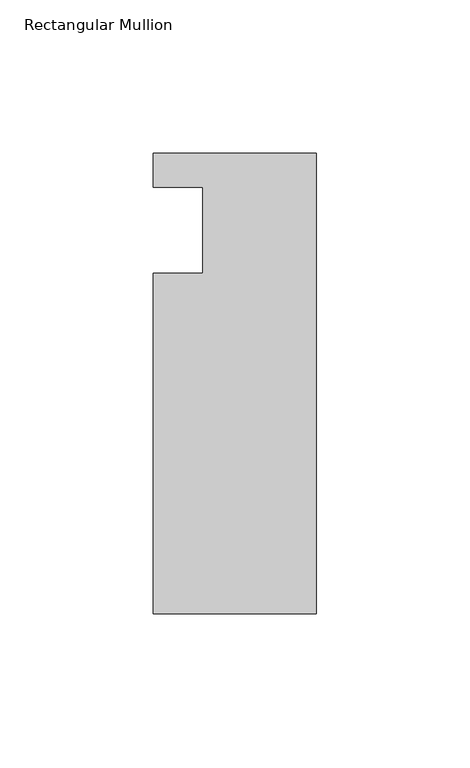
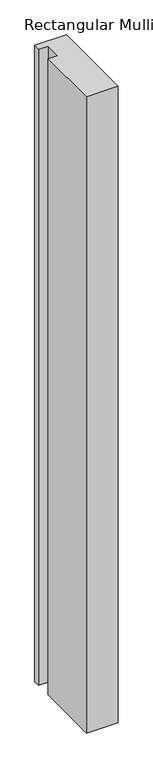
"""IFC4 building model written with IfcOpenShell, lengths in millimetres: member geometry, Rectangular Mullion."""

import ifcopenshell
import ifcopenshell.guid

model = None  # the IFC model being written
_history = None  # IfcOwnerHistory: only IFC2X3 demands one
_inside = {}  # id of a spatial element -> (the spatial element, [elements in it])
_under = {}  # id of a project, library or spatial element -> (it, [spatial elements below it])
_declared = {}  # id of a project -> (the project, [libraries it declares])
_typed = {}  # id of a type object -> (the type object, [elements of that type])
_made_of = {}  # id of a material, layer set ... -> (it, [elements and type objects made of it])


def new_model(schema):
    """Start an empty IFC model of exactly this schema.

    Asked for "IFC4X3", IfcOpenShell would pick the latest addendum, in which some entities
    have other attributes; the version numbers below select the first issue.
    IFC2X3 requires an IfcOwnerHistory on every rooted entity: one is made here for all.
    """
    global model, _history
    if schema == "IFC4X3":
        model = ifcopenshell.file(schema_version=(4, 3, 0, 0))
    else:
        model = ifcopenshell.file(schema=schema)
    _inside.clear()
    _under.clear()
    _declared.clear()
    _typed.clear()
    _made_of.clear()
    _history = None
    if model.schema == "IFC2X3":
        org = make("IfcOrganization", Name="unknown")
        user = make(
            "IfcPersonAndOrganization",
            ThePerson=make("IfcPerson", FamilyName="unknown"),
            TheOrganization=org,
        )
        app = make(
            "IfcApplication",
            ApplicationDeveloper=org,
            Version="unknown",
            ApplicationFullName="unknown",
            ApplicationIdentifier="unknown",
        )
        _history = make(
            "IfcOwnerHistory",
            OwningUser=user,
            OwningApplication=app,
            ChangeAction="ADDED",
            CreationDate=0,
        )
    return model


def make(cls, **values):
    """One entity of the class cls with the attributes given. An attribute that is None is left unset."""
    return model.create_entity(
        cls, **{name: value for name, value in values.items() if value is not None}
    )


def rooted(cls, **values):
    """An entity with a GlobalId (a new one), such as an element, a storey or a relation."""
    return make(cls, GlobalId=ifcopenshell.guid.new(), OwnerHistory=_history, **values)


def si_unit(unit_type, name, prefix=None):
    """IfcSIUnit, for example si_unit("LENGTHUNIT", "METRE", prefix="MILLI")."""
    return make("IfcSIUnit", UnitType=unit_type, Prefix=prefix, Name=name)


def assignment(units):
    """IfcUnitAssignment: the units of a project."""
    return None if units is None else make("IfcUnitAssignment", Units=units)


def point(xyz):
    """IfcCartesianPoint."""
    return None if xyz is None else make("IfcCartesianPoint", Coordinates=xyz)


def direction(xyz):
    """IfcDirection."""
    return None if xyz is None else make("IfcDirection", DirectionRatios=xyz)


def frame(location, z_axis=None, x_axis=None):
    """IfcAxis2Placement3D, a coordinate frame: its origin and axes. An axis left out is left unset."""
    return make(
        "IfcAxis2Placement3D",
        Location=point(location),
        Axis=direction(z_axis),
        RefDirection=direction(x_axis),
    )


def origin():
    """The frame at (0, 0, 0) with its axes left unset."""
    return frame((0.0, 0.0, 0.0))


def place(relative_to, where):
    """IfcLocalPlacement: puts the frame where relative to a parent placement (None: the world)."""
    return make(
        "IfcLocalPlacement", PlacementRelTo=relative_to, RelativePlacement=where
    )


def context(
    kind, dimensions, precision=None, world=None, true_north=None, identifier=None
):
    """IfcGeometricRepresentationContext, for example the 3D "Model" context."""
    return make(
        "IfcGeometricRepresentationContext",
        ContextIdentifier=identifier,
        ContextType=kind,
        CoordinateSpaceDimension=dimensions,
        Precision=precision,
        WorldCoordinateSystem=world,
        TrueNorth=true_north,
    )


def project(units=None, contexts=None):
    """IfcProject with its units and contexts."""
    return rooted(
        "IfcProject",
        Name="project",
        RepresentationContexts=contexts,
        UnitsInContext=assignment(units),
    )


def spatial(cls, under=None, at=None, **own):
    """A site, building, storey or space (cls), placed at a placement, below another one or the project."""
    s = rooted(cls, ObjectPlacement=at, **own)
    if under is not None:
        _under.setdefault(under.id(), (under, []))[1].append(s)
    return s


def polyline(points):
    """IfcPolyline through the points."""
    return make("IfcPolyline", Points=[point(p) for p in points])


def outline(outer, holes=None, kind="AREA"):
    """IfcArbitraryClosedProfileDef: a profile drawn as a closed curve; with holes, ...WithVoids."""
    if holes is None:
        return make("IfcArbitraryClosedProfileDef", ProfileType=kind, OuterCurve=outer)
    return make(
        "IfcArbitraryProfileDefWithVoids",
        ProfileType=kind,
        OuterCurve=outer,
        InnerCurves=holes,
    )


def extrude(swept, where, along, depth):
    """IfcExtrudedAreaSolid: the profile swept, set in the frame where, extruded along a direction by depth."""
    return make(
        "IfcExtrudedAreaSolid",
        SweptArea=swept,
        Position=where,
        ExtrudedDirection=direction(along),
        Depth=depth,
    )


def shape(context_of_items, identifier, shape_type, items):
    """IfcShapeRepresentation: the items that make up one representation, for example the "Body"."""
    return make(
        "IfcShapeRepresentation",
        ContextOfItems=context_of_items,
        RepresentationIdentifier=identifier,
        RepresentationType=shape_type,
        Items=items,
    )


def source(mapping_origin, context_of_items, identifier, shape_type, items):
    """IfcRepresentationMap: a shape defined once, which mapped items show again and again."""
    return make(
        "IfcRepresentationMap",
        MappingOrigin=mapping_origin,
        MappedRepresentation=shape(context_of_items, identifier, shape_type, items),
    )


def transform(
    local_origin,
    x_axis=None,
    y_axis=None,
    z_axis=None,
    scale=None,
    scale2=None,
    scale3=None,
    uniform=True,
):
    """IfcCartesianTransformationOperator3D, or its non-uniform kind. x_axis, y_axis, z_axis: its Axis1, 2, 3."""
    if uniform:
        return make(
            "IfcCartesianTransformationOperator3D",
            Axis1=direction(x_axis),
            Axis2=direction(y_axis),
            LocalOrigin=point(local_origin),
            Scale=scale,
            Axis3=direction(z_axis),
        )
    return make(
        "IfcCartesianTransformationOperator3DnonUniform",
        Axis1=direction(x_axis),
        Axis2=direction(y_axis),
        LocalOrigin=point(local_origin),
        Scale=scale,
        Axis3=direction(z_axis),
        Scale2=scale2,
        Scale3=scale3,
    )


def mapped(mapping_source, mapping_target):
    """IfcMappedItem: shows the shape of a source again, moved by a transform."""
    return make(
        "IfcMappedItem", MappingSource=mapping_source, MappingTarget=mapping_target
    )


def made_of(thing, what):
    """Note that an element or type object is made of a material, layer set ...; save() writes the relation."""
    if what is not None:
        _made_of.setdefault(what.id(), (what, []))[1].append(thing)
    return thing


def element(
    cls,
    number,
    at=None,
    inside=None,
    cuts=None,
    type_object=None,
    material=None,
    context=None,
    identifier="Body",
    shape_type=None,
    held_by="IfcProductDefinitionShape",
    body=None,
    shapes=None,
    **own,
):
    """One element of the class cls, such as IfcWall. Its Tag is "e" and its number.

    at: its placement. inside: the storey or other place that contains it. cuts: it is an
    opening in that element (IfcRelVoidsElement). A single representation is given by context,
    identifier, shape_type and body (its items); several are given by shapes. held_by: the class
    of the entity that holds the representations. save() writes the other relations.
    """
    e = rooted(cls, Tag="e%d" % number, ObjectPlacement=at, **own)
    if body is not None:
        shapes = [shape(context, identifier, shape_type, body)]
    if shapes is not None:
        e.Representation = make(held_by, Representations=shapes)
    if inside is not None:
        _inside.setdefault(inside.id(), (inside, []))[1].append(e)
    if cuts is not None:
        rooted(
            "IfcRelVoidsElement", RelatingBuildingElement=cuts, RelatedOpeningElement=e
        )
    if type_object is not None:
        _typed.setdefault(type_object.id(), (type_object, []))[1].append(e)
    return made_of(e, material)


def aggregate(whole, parts):
    """IfcRelAggregates: a whole, such as a stair, and the parts it consists of."""
    return rooted("IfcRelAggregates", RelatingObject=whole, RelatedObjects=parts)


def save(model, path):
    """Write the relations noted so far, then the file.

    IfcRelAggregates (storeys below a building ...), IfcRelContainedInSpatialStructure (elements
    in a storey), IfcRelDefinesByType, IfcRelAssociatesMaterial and IfcRelDeclares: one each for
    every whole, place, type object, material and project.
    """
    for whole, parts in _under.values():
        aggregate(whole, parts)
    for where, things in _inside.values():
        rooted(
            "IfcRelContainedInSpatialStructure",
            RelatedElements=things,
            RelatingStructure=where,
        )
    for kind, things in _typed.values():
        rooted("IfcRelDefinesByType", RelatedObjects=things, RelatingType=kind)
    for what, things in _made_of.values():
        rooted("IfcRelAssociatesMaterial", RelatedObjects=things, RelatingMaterial=what)
    for by, libraries in _declared.values():
        rooted("IfcRelDeclares", RelatingContext=by, RelatedDefinitions=libraries)
    model.write(path)


def rectangular_mullion_c7f80c7b(model_context):
    return source(origin(), model_context, "Body", "SweptSolid", [
        extrude(outline(polyline([(-37.0, -14.0), (-37.0, 14.0), (-53.0, 14.0), (-53.0, 25.0), (0.0, 25.0), (0.0, -125.0), (-53.0, -125.0), (-53.0, -14.0), (-37.0, -14.0)])), frame((0.0, 0.0, -1124.0099627), z_axis=(0.0, 0.0, 1.0), x_axis=(1.0, 0.0, 0.0)), (0.0, 0.0, 1.0), 1124.0099627),
    ])


if __name__ == "__main__":
    model = new_model("IFC4")
    model_context = context("Model", 3, world=origin())
    ifc_project = project(units=[si_unit("LENGTHUNIT", "METRE", prefix="MILLI")], contexts=[model_context])
    site = spatial("IfcSite", under=ifc_project)
    building = spatial("IfcBuilding", under=site)
    placement = place(None, origin())
    rectangular_mullion_shape = rectangular_mullion_c7f80c7b(model_context)
    element("IfcMember", 1, ObjectType="Rectangular Mullion", at=placement, inside=building, context=model_context, shape_type="MappedRepresentation", body=[
        mapped(rectangular_mullion_shape, transform((0.0, 0.0, 0.0), x_axis=(1.0, 0.0, 0.0), y_axis=(0.0, 1.0, 0.0), z_axis=(0.0, 0.0, 1.0))),
    ])
    save(model, "model.ifc")
